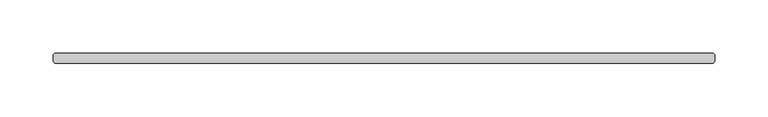
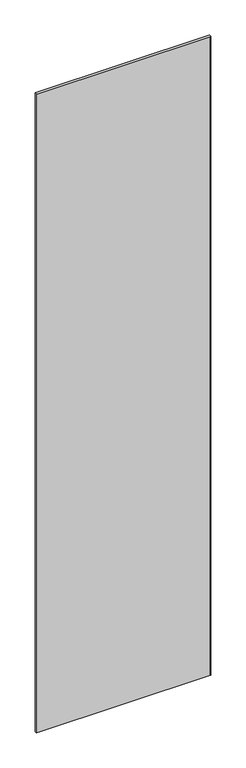
"""IFC4 building model written with IfcOpenShell, lengths in millimetres: plate geometry."""

from ifc_helpers import new_model, si_unit, origin, origin_with_axes, place, context, project, spatial, polyline, outline, extrude, source, transform, mapped, element, save


def plate_d61928c6(model_context):
    return source(origin(), model_context, "Body", "SweptSolid", [
        extrude(outline(polyline([(310.584375, 34.925), (312.171875, 33.3375), (312.171875, 26.9875), (310.584375, 25.4), (-310.584375, 25.4), (-312.171875, 26.9875), (-312.171875, 33.3375), (-310.584375, 34.925), (310.584375, 34.925)])), origin_with_axes(), (0.0, 0.0, 1.0), 2417.075),
    ])


if __name__ == "__main__":
    model = new_model("IFC4")
    model_context = context("Model", 3, world=origin())
    ifc_project = project(units=[si_unit("LENGTHUNIT", "METRE", prefix="MILLI")], contexts=[model_context])
    site = spatial("IfcSite", under=ifc_project)
    building = spatial("IfcBuilding", under=site)
    placement = place(None, origin())
    plate_shape = plate_d61928c6(model_context)
    element("IfcPlate", 1, at=placement, inside=building, context=model_context, shape_type="MappedRepresentation", body=[
        mapped(plate_shape, transform((0.0, 0.0, 0.0), x_axis=(1.0, 0.0, 0.0), y_axis=(0.0, 1.0, 0.0), z_axis=(0.0, 0.0, 1.0))),
    ])
    save(model, "model.ifc")
